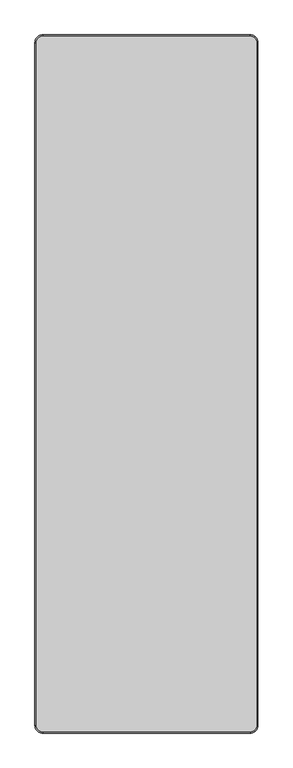
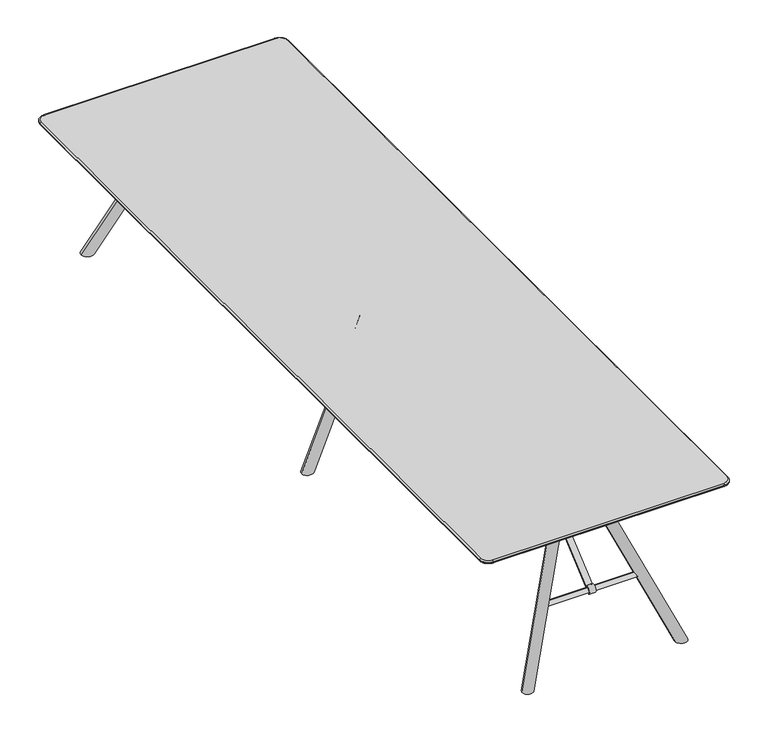
"""IFC4 building model written with IfcOpenShell, lengths in millimetres: furniture geometry."""

from ifc_helpers import new_model, si_unit, point, frame, frame_2d, origin, place, context, project, spatial, polyline, circle_curve, ellipse_curve, trimmed, segment, composite_curve, outline, extrude, source, transform, mapped, element, save
from ifc_brep_helpers import plane_surface, cylinder_surface, revolved_surface, advanced_brep


def furniture_b137825d(model_context):
    return source(origin(), model_context, "Body", "SolidModel", [
        extrude(outline(composite_curve([segment(polyline([(452.1615594, 696.9999876), (516.4936641, 696.9999876), (516.4936641, 693.9557965), (453.2570262, 693.9557965), (12.5923474, 318.9245802)]), True, "CONTINUOUS"), segment(trimmed(circle_curve(frame_2d((0.698271, 308.2132689)), 16.0062876), [point((12.5923474, 318.9245802))], [point((-11.9273491, 298.374826))], True, "CARTESIAN"), True, "CONTINUOUS"), segment(polyline([(-11.9273491, 298.374826), (-14.0616587, 296.2405164)]), True, "CONTINUOUS"), segment(trimmed(circle_curve(frame_2d((0.0, 308.9632055)), 18.9630446), [point((-14.0616587, 296.2405164))], [point((12.7510999, 322.9991063))], False, "CARTESIAN"), True, "CONTINUOUS"), segment(polyline([(12.7510999, 322.9991063), (452.1615594, 696.9999876)]), True, "CONTINUOUS")], self_intersect=False)), frame((-30.0854304, 0.0, 0.0), z_axis=(1.0, 0.0, 0.0), x_axis=(0.0, 1.0, 0.0)), (0.0, 0.0, 1.0), 30.0854304),
        advanced_brep(
        [(-234.1299418, 0.4604158, 296.9759032), (-234.1299418, 0.4604158, 320.4264818), (-234.1299418, 0.4604158, 308.7011925), (225.8700582, 0.4604158, 308.7011925), (225.8700582, 0.4604158, 320.4264818), (225.8700582, 0.4604158, 296.9759032)],
        [
            (0, 1, circle_curve(frame((-234.1299418, 0.4604158, 308.7011925), z_axis=(-1.0, 0.0, 0.0), x_axis=(0.0, 0.0, 1.0)), 11.7252893)),
            (1, 2),
            (2, 0),
            (1, 0, circle_curve(frame((-234.1299418, 0.4604158, 308.7011925), z_axis=(-1.0, 0.0, 0.0), x_axis=(0.0, 0.0, 1.0)), 11.7252893)),
            (3, 4),
            (4, 5, circle_curve(frame((225.8700582, 0.4604158, 308.7011925), z_axis=(1.0, 0.0, 0.0), x_axis=(0.0, 0.0, 1.0)), 11.7252893)),
            (5, 3),
            (5, 4, circle_curve(frame((225.8700582, 0.4604158, 308.7011925), z_axis=(1.0, 0.0, 0.0), x_axis=(0.0, 0.0, 1.0)), 11.7252893)),
            (4, 1, circle_curve(frame((-4.1299418, 0.4604158, -4735.1313064), z_axis=(0.0, -1.0, 0.0), x_axis=(0.0, 0.0, -1.0)), 5060.7869497)),
            (0, 5, circle_curve(frame((-4.1299418, 0.4604158, 5352.5336915), z_axis=(0.0, -1.0, 0.0), x_axis=(0.0, 0.0, 1.0)), 5060.7869497)),
        ],
        [
            plane_surface(frame((-234.1299418, 0.4604158, 308.7011925), z_axis=(-1.0, 0.0, 0.0), x_axis=(0.0, 0.0, 1.0))),
            plane_surface(frame((225.8700582, 0.4604158, 308.7011925), z_axis=(1.0, 0.0, 0.0), x_axis=(0.0, 0.0, 1.0))),
            revolved_surface(trimmed(ellipse_curve(frame((-4.1299418, 0.4604158, -4735.1313064), z_axis=(0.0, 1.0, 0.0), x_axis=(0.0, 0.0, -1.0)), 5060.7869497, 5060.7869497), [point((-234.1299418, 0.4604158, 320.4264818))], [point((225.8700582, 0.4604158, 320.4264818))], True, "CARTESIAN"), (225.8700582, 0.4604158, 308.7011925), (1.0, 0.0, 0.0)),
        ],
        [
            (0, [[1, 2, 3]]),
            (0, [[4, -3, -2]]),
            (1, [[5, 6, 7]]),
            (1, [[-7, 8, -5]]),
            (2, [[-6, 9, -1, 10]]),
            (2, [[-8, -10, -4, -9]]),
        ],
    ),
        extrude(outline(composite_curve([segment(polyline([(-452.1615594, 696.9999876), (-12.7510999, 322.9991063)]), True, "CONTINUOUS"), segment(trimmed(circle_curve(frame_2d((0.0, 308.9632055)), 18.9630446), [point((-12.7510999, 322.9991063))], [point((14.0616587, 296.2405164))], False, "CARTESIAN"), True, "CONTINUOUS"), segment(polyline([(14.0616587, 296.2405164), (11.9273491, 298.374826)]), True, "CONTINUOUS"), segment(trimmed(circle_curve(frame_2d((-0.698271, 308.2132689)), 16.0062876), [point((11.9273491, 298.374826))], [point((-12.5923474, 318.9245802))], True, "CARTESIAN"), True, "CONTINUOUS"), segment(polyline([(-12.5923474, 318.9245802), (-453.2570262, 693.9557965), (-516.4936641, 693.9557965), (-516.4936641, 696.9999876), (-452.1615594, 696.9999876)]), True, "CONTINUOUS")], self_intersect=False)), frame((0.0, 0.0, 0.0), z_axis=(1.0, 0.0, 0.0), x_axis=(0.0, 1.0, 0.0)), (0.0, 0.0, 1.0), 30.0854304),
        advanced_brep(
        [(-234.1299418, -0.4604158, 308.7011925), (-234.1299418, -0.4604158, 320.4264818), (-234.1299418, -0.4604158, 296.9759032), (225.8700582, -0.4604158, 296.9759032), (225.8700582, -0.4604158, 320.4264818), (225.8700582, -0.4604158, 308.7011925)],
        [
            (0, 1),
            (1, 2, circle_curve(frame((-234.1299418, -0.4604158, 308.7011925), z_axis=(-1.0, 0.0, 0.0), x_axis=(0.0, 0.0, 1.0)), 11.7252893)),
            (2, 0),
            (2, 1, circle_curve(frame((-234.1299418, -0.4604158, 308.7011925), z_axis=(-1.0, 0.0, 0.0), x_axis=(0.0, 0.0, 1.0)), 11.7252893)),
            (3, 4, circle_curve(frame((225.8700582, -0.4604158, 308.7011925), z_axis=(1.0, 0.0, 0.0), x_axis=(0.0, 0.0, 1.0)), 11.7252893)),
            (4, 5),
            (5, 3),
            (4, 3, circle_curve(frame((225.8700582, -0.4604158, 308.7011925), z_axis=(1.0, 0.0, 0.0), x_axis=(0.0, 0.0, 1.0)), 11.7252893)),
            (1, 4, circle_curve(frame((-4.1299418, -0.4604158, -4735.1313064), z_axis=(0.0, 1.0, 0.0), x_axis=(0.0, 0.0, -1.0)), 5060.7869497)),
            (3, 2, circle_curve(frame((-4.1299418, -0.4604158, 5352.5336915), z_axis=(0.0, 1.0, 0.0), x_axis=(0.0, 0.0, 1.0)), 5060.7869497)),
        ],
        [
            plane_surface(frame((-234.1299418, -0.4604158, 308.7011925), z_axis=(-1.0, 0.0, 0.0), x_axis=(0.0, 0.0, 1.0))),
            plane_surface(frame((225.8700582, -0.4604158, 308.7011925), z_axis=(1.0, 0.0, 0.0), x_axis=(0.0, 0.0, 1.0))),
            revolved_surface(trimmed(ellipse_curve(frame((-4.1299418, -0.4604158, -4735.1313064), z_axis=(0.0, -1.0, 0.0), x_axis=(0.0, 0.0, -1.0)), 5060.7869497, 5060.7869497), [point((225.8700582, -0.4604158, 320.4264818))], [point((-234.1299418, -0.4604158, 320.4264818))], True, "CARTESIAN"), (225.8700582, -0.4604158, 308.7011925), (-1.0, 0.0, 0.0)),
        ],
        [
            (0, [[1, 2, 3]]),
            (0, [[-3, 4, -1]]),
            (1, [[5, 6, 7]]),
            (1, [[8, -7, -6]]),
            (2, [[-2, 9, -5, 10]]),
            (2, [[-4, -10, -8, -9]]),
        ],
    ),
        advanced_brep(
        [(380.955562, 0.0, 0.0), (327.0019251, 0.0, 0.0), (109.0551994, 0.0, 670.5969178), (62.7191201, 0.0, 651.8094817)],
        [
            (0, 1, ellipse_curve(frame((353.9787435, 0.0, 0.0), z_axis=(0.0, 0.0, -1.0), x_axis=(-1.0, 0.0, 0.0)), 26.9768185, 25.0)),
            (1, 0, ellipse_curve(frame((353.9787435, 0.0, 0.0), z_axis=(0.0, 0.0, -1.0), x_axis=(-1.0, 0.0, 0.0)), 26.9768185, 25.0)),
            (2, 3, circle_curve(frame((85.8871597, 0.0, 661.2031998), z_axis=(-0.3757487225690418, 0.0, 0.9267215857460823), x_axis=(-0.9267215857460823, 0.0, -0.3757487225690418)), 25.0)),
            (3, 2, circle_curve(frame((85.8871597, 0.0, 661.2031998), z_axis=(-0.3757487225690418, 0.0, 0.9267215857460823), x_axis=(-0.9267215857460823, 0.0, -0.3757487225690418)), 25.0)),
            (3, 1),
            (0, 2),
        ],
        [
            plane_surface(frame((414.9551578, 76.4936641, 0.0), z_axis=(0.0, 0.0, -1.0), x_axis=(-1.0, 0.0, 0.0))),
            plane_surface(frame((62.7191201, 0.0, 651.8094817), z_axis=(-0.3757487225690418, 0.0, 0.9267215857460823), x_axis=(0.0, -1.0, 0.0))),
            cylinder_surface(frame((358.9985719, 0.0, -12.3805698), z_axis=(-0.3757487225690418, 0.0, 0.9267215857460823), x_axis=(-0.9267215857460823, 0.0, -0.3757487225690418)), 25.0),
        ],
        [
            (0, [[1, 2]]),
            (1, [[3, 4]]),
            (2, [[-4, 5, -1, 6]]),
            (2, [[-3, -6, -2, -5]]),
        ],
    ),
        advanced_brep(
        [(-327.0019251, 0.0, 0.0), (-380.955562, 0.0, 0.0), (-109.0551994, 0.0, 670.5969178), (-62.7191201, 0.0, 651.8094817)],
        [
            (0, 1, ellipse_curve(frame((-353.9787435, 0.0, 0.0), z_axis=(0.0, 0.0, -1.0), x_axis=(1.0, 0.0, 0.0)), 26.9768185, 25.0)),
            (1, 0, ellipse_curve(frame((-353.9787435, 0.0, 0.0), z_axis=(0.0, 0.0, -1.0), x_axis=(1.0, 0.0, 0.0)), 26.9768185, 25.0)),
            (2, 3, circle_curve(frame((-85.8871597, 0.0, 661.2031998), z_axis=(0.3757487225690418, 0.0, 0.9267215857460823), x_axis=(0.9267215857460823, 0.0, -0.3757487225690418)), 25.0)),
            (3, 2, circle_curve(frame((-85.8871597, 0.0, 661.2031998), z_axis=(0.3757487225690418, 0.0, 0.9267215857460823), x_axis=(0.9267215857460823, 0.0, -0.3757487225690418)), 25.0)),
            (2, 1),
            (0, 3),
        ],
        [
            plane_surface(frame((414.9551578, 76.4936641, 0.0), z_axis=(0.0, 0.0, -1.0), x_axis=(-1.0, 0.0, 0.0))),
            plane_surface(frame((-62.7191201, 0.0, 651.8094817), z_axis=(0.3757487225690418, 0.0, 0.9267215857460823), x_axis=(0.0, 1.0, 0.0))),
            cylinder_surface(frame((-358.9985719, 0.0, -12.3805698), z_axis=(0.3757487225690418, 0.0, 0.9267215857460823), x_axis=(0.9267215857460823, 0.0, -0.3757487225690418)), 25.0),
        ],
        [
            (0, [[1, 2]]),
            (1, [[3, 4]]),
            (2, [[-3, 5, -1, 6]]),
            (2, [[-4, -6, -2, -5]]),
        ],
    ),
        extrude(outline(polyline([(705.4756617, -300.8039954), (687.6294954, -300.8039954), (642.3006437, -190.0), (642.3006437, 190.0), (687.6294954, 300.8039954), (705.4756617, 300.8039954), (705.4756617, -300.8039954)])), frame((0.0, -50.000027, 0.0), z_axis=(0.0, 1.0, 0.0), x_axis=(0.0, 0.0, 1.0)), (0.0, 0.0, 1.0), 100.000054),
        advanced_brep(
        [(380.6471861, 1763.9639551, 0.0), (327.1101507, 1764.2748861, 0.0), (109.9688176, 1543.3483753, 667.7772071), (63.3065195, 1549.2625399, 650.8168831)],
        [
            (0, 1, ellipse_curve(frame((353.8786684, 1764.1194206, 0.0), z_axis=(0.0, 0.0, -1.0), x_axis=(-0.7751468611530293, -0.6317810883879053, 0.0)), 28.2117965, 25.0)),
            (1, 0, ellipse_curve(frame((353.8786684, 1764.1194206, 0.0), z_axis=(0.0, 0.0, -1.0), x_axis=(-0.7751468611530293, -0.6317810883879053, 0.0)), 28.2117965, 25.0)),
            (2, 3, circle_curve(frame((86.6376685, 1546.3054576, 659.2970451), z_axis=(-0.3591957786469682, -0.29276142541603045, 0.8861541290264195), x_axis=(-0.9332459618296186, 0.11828329378096142, -0.339206481572857)), 25.0)),
            (3, 2, circle_curve(frame((86.6376685, 1546.3054576, 659.2970451), z_axis=(-0.3591957786469682, -0.29276142541603045, 0.8861541290264195), x_axis=(-0.9332459618296186, 0.11828329378096142, -0.339206481572857)), 25.0)),
            (3, 1),
            (0, 2),
        ],
        [
            plane_surface(frame((414.9551578, 1865.7915929, 0.0), z_axis=(0.0, 0.0, -1.0), x_axis=(-1.0, 0.0, 0.0))),
            plane_surface(frame((63.3065195, 1549.2625399, 650.8168831), z_axis=(-0.35919577864696833, -0.29276142541603045, 0.8861541290264197), x_axis=(-0.005510656123217819, -0.9488412987432098, -0.315705277859574))),
            cylinder_surface(frame((359.1565975, 1768.4211807, -13.0209177), z_axis=(-0.3591957786469683, -0.2927614254160305, 0.8861541290264198), x_axis=(-0.9332459618296186, 0.11828329378096142, -0.339206481572857)), 25.0),
        ],
        [
            (0, [[1, 2]]),
            (1, [[3, 4]]),
            (2, [[-4, 5, -1, 6]]),
            (2, [[-3, -6, -2, -5]]),
        ],
    ),
        advanced_brep(
        [(-109.9688176, 1543.3483753, 667.7772071), (-63.3065195, 1549.2625399, 650.8168831), (-380.6471861, 1763.9639551, 0.0), (-327.1101507, 1764.2748861, 0.0)],
        [
            (0, 1, circle_curve(frame((-86.6376685, 1546.3054576, 659.2970451), z_axis=(0.3591957786469683, -0.29276142541603045, 0.8861541290264195), x_axis=(0.9332459618296185, 0.11828329378096139, -0.339206481572857)), 25.0)),
            (1, 0, circle_curve(frame((-86.6376685, 1546.3054576, 659.2970451), z_axis=(0.3591957786469683, -0.29276142541603045, 0.8861541290264195), x_axis=(0.9332459618296185, 0.11828329378096139, -0.339206481572857)), 25.0)),
            (0, 2),
            (2, 3, ellipse_curve(frame((-353.8786684, 1764.1194206, 0.0), z_axis=(0.0, 0.0, 1.0), x_axis=(0.7751468611530294, -0.6317810883879053, 0.0)), 28.2117965, 25.0)),
            (3, 1),
            (3, 2, ellipse_curve(frame((-353.8786684, 1764.1194206, 0.0), z_axis=(0.0, 0.0, 1.0), x_axis=(0.7751468611530294, -0.6317810883879053, 0.0)), 28.2117965, 25.0)),
        ],
        [
            plane_surface(frame((-63.3065195, 1549.2625399, 650.8168831), z_axis=(0.3591957786469684, -0.29276142541603045, 0.8861541290264195), x_axis=(-0.005510656123217823, 0.9488412987432097, 0.315705277859574))),
            cylinder_surface(frame((-359.1565975, 1768.4211807, -13.0209177), z_axis=(0.3591957786469683, -0.29276142541603045, 0.8861541290264195), x_axis=(0.9332459618296185, 0.11828329378096139, -0.339206481572857)), 25.0),
            plane_surface(frame((414.9551578, 1865.7915929, 0.0), z_axis=(0.0, 0.0, -1.0), x_axis=(-1.0, 0.0, 0.0))),
        ],
        [
            (0, [[1, 2]]),
            (1, [[-1, 3, 4, 5]]),
            (1, [[-2, -5, 6, -3]]),
            (2, [[-4, -6]]),
        ],
    ),
        extrude(outline(composite_curve([segment(polyline([(1207.3939355, 696.9999876), (1646.804395, 322.9991063)]), True, "CONTINUOUS"), segment(trimmed(circle_curve(frame_2d((1659.555495, 308.9632055)), 18.9630446), [point((1646.804395, 322.9991063))], [point((1673.6171536, 296.2405164))], False, "CARTESIAN"), True, "CONTINUOUS"), segment(polyline([(1673.6171536, 296.2405164), (1671.4828441, 298.374826)]), True, "CONTINUOUS"), segment(trimmed(circle_curve(frame_2d((1658.8572239, 308.2132689)), 16.0062876), [point((1671.4828441, 298.374826))], [point((1646.9631475, 318.9245802))], True, "CARTESIAN"), True, "CONTINUOUS"), segment(polyline([(1646.9631475, 318.9245802), (1206.2984688, 693.9557965), (1143.0618308, 693.9557965), (1143.0618308, 696.9999876), (1207.3939355, 696.9999876)]), True, "CONTINUOUS")], self_intersect=False)), frame((-18.7488756, 0.0, 0.0), z_axis=(1.0, 0.0, 0.0), x_axis=(0.0, 1.0, 0.0)), (0.0, 0.0, 1.0), 30.0854304),
        advanced_brep(
        [(-234.1299418, 1659.0950792, 308.7011925), (-234.1299418, 1659.0950792, 320.4264818), (-234.1299418, 1659.0950792, 296.9759032), (225.8700582, 1659.0950792, 296.9759032), (225.8700582, 1659.0950792, 320.4264818), (225.8700582, 1659.0950792, 308.7011925)],
        [
            (0, 1),
            (1, 2, circle_curve(frame((-234.1299418, 1659.0950792, 308.7011925), z_axis=(-1.0, 0.0, 0.0), x_axis=(0.0, 0.0, 1.0)), 11.7252893)),
            (2, 0),
            (2, 1, circle_curve(frame((-234.1299418, 1659.0950792, 308.7011925), z_axis=(-1.0, 0.0, 0.0), x_axis=(0.0, 0.0, 1.0)), 11.7252893)),
            (3, 4, circle_curve(frame((225.8700582, 1659.0950792, 308.7011925), z_axis=(1.0, 0.0, 0.0), x_axis=(0.0, 0.0, 1.0)), 11.7252893)),
            (4, 5),
            (5, 3),
            (4, 3, circle_curve(frame((225.8700582, 1659.0950792, 308.7011925), z_axis=(1.0, 0.0, 0.0), x_axis=(0.0, 0.0, 1.0)), 11.7252893)),
            (1, 4, circle_curve(frame((-4.1299418, 1659.0950792, -4735.1313064), z_axis=(0.0, 1.0, 0.0), x_axis=(0.0, 0.0, -1.0)), 5060.7869497)),
            (3, 2, circle_curve(frame((-4.1299418, 1659.0950792, 5352.5336915), z_axis=(0.0, 1.0, 0.0), x_axis=(0.0, 0.0, 1.0)), 5060.7869497)),
        ],
        [
            plane_surface(frame((-234.1299418, 1659.0950792, 308.7011925), z_axis=(-1.0, 0.0, 0.0), x_axis=(0.0, 0.0, 1.0))),
            plane_surface(frame((225.8700582, 1659.0950792, 308.7011925), z_axis=(1.0, 0.0, 0.0), x_axis=(0.0, 0.0, 1.0))),
            revolved_surface(trimmed(ellipse_curve(frame((-4.1299418, 1659.0950792, -4735.1313064), z_axis=(0.0, -1.0, 0.0), x_axis=(0.0, 0.0, -1.0)), 5060.7869497, 5060.7869497), [point((225.8700582, 1659.0950792, 320.4264818))], [point((-234.1299418, 1659.0950792, 320.4264818))], True, "CARTESIAN"), (225.8700582, 1659.0950792, 308.7011925), (-1.0, 0.0, 0.0)),
        ],
        [
            (0, [[1, 2, 3]]),
            (0, [[-3, 4, -1]]),
            (1, [[5, 6, 7]]),
            (1, [[8, -7, -6]]),
            (2, [[-2, 9, -5, 10]]),
            (2, [[-4, -10, -8, -9]]),
        ],
    ),
        extrude(outline(polyline([(705.4756617, -300.8039954), (687.6294954, -300.8039954), (642.3006437, -190.0), (642.3006437, 190.0), (687.6294954, 300.8039954), (705.4756617, 300.8039954), (705.4756617, -300.8039954)])), frame((0.0, 1500.0, 0.0), z_axis=(0.0, 1.0, 0.0), x_axis=(0.0, 0.0, 1.0)), (0.0, 0.0, 1.0), 100.000054),
        advanced_brep(
        [(327.1101507, -1764.2748861, 0.0), (380.6471861, -1763.9639551, 0.0), (109.9688176, -1543.3483753, 667.7772071), (63.3065195, -1549.2625399, 650.8168831)],
        [
            (0, 1, ellipse_curve(frame((353.8786684, -1764.1194206, 0.0), z_axis=(0.0, 0.0, -1.0), x_axis=(-0.7751468611530294, 0.6317810883879054, 0.0)), 28.2117965, 25.0)),
            (1, 0, ellipse_curve(frame((353.8786684, -1764.1194206, 0.0), z_axis=(0.0, 0.0, -1.0), x_axis=(-0.7751468611530294, 0.6317810883879054, 0.0)), 28.2117965, 25.0)),
            (2, 3, circle_curve(frame((86.6376685, -1546.3054576, 659.2970451), z_axis=(-0.3591957786469682, 0.2927614254160304, 0.8861541290264195), x_axis=(-0.9332459618296186, -0.11828329378096142, -0.339206481572857)), 25.0)),
            (3, 2, circle_curve(frame((86.6376685, -1546.3054576, 659.2970451), z_axis=(-0.3591957786469682, 0.2927614254160304, 0.8861541290264195), x_axis=(-0.9332459618296186, -0.11828329378096142, -0.339206481572857)), 25.0)),
            (2, 1),
            (0, 3),
        ],
        [
            plane_surface(frame((414.9551578, -1719.2242518, 0.0), z_axis=(0.0, 0.0, -1.0), x_axis=(-1.0, 0.0, 0.0))),
            plane_surface(frame((63.3065195, -1549.2625399, 650.8168831), z_axis=(-0.3591957786469684, 0.29276142541603045, 0.8861541290264195), x_axis=(0.005510656123217793, -0.9488412987432097, 0.315705277859574))),
            cylinder_surface(frame((359.1565975, -1768.4211807, -13.0209177), z_axis=(-0.3591957786469683, 0.29276142541603045, 0.8861541290264198), x_axis=(-0.9332459618296186, -0.11828329378096142, -0.339206481572857)), 25.0),
        ],
        [
            (0, [[1, 2]]),
            (1, [[3, 4]]),
            (2, [[-3, 5, -1, 6]]),
            (2, [[-4, -6, -2, -5]]),
        ],
    ),
        advanced_brep(
        [(-109.9688176, -1543.3483753, 667.7772071), (-63.3065195, -1549.2625399, 650.8168831), (-327.1101507, -1764.2748861, 0.0), (-380.6471861, -1763.9639551, 0.0)],
        [
            (0, 1, circle_curve(frame((-86.6376685, -1546.3054576, 659.2970451), z_axis=(0.3591957786469683, 0.2927614254160305, 0.8861541290264195), x_axis=(0.9332459618296185, -0.11828329378096139, -0.339206481572857)), 25.0)),
            (1, 0, circle_curve(frame((-86.6376685, -1546.3054576, 659.2970451), z_axis=(0.3591957786469683, 0.2927614254160305, 0.8861541290264195), x_axis=(0.9332459618296185, -0.11828329378096139, -0.339206481572857)), 25.0)),
            (1, 2),
            (2, 3, ellipse_curve(frame((-353.8786684, -1764.1194206, 0.0), z_axis=(0.0, 0.0, 1.0), x_axis=(0.7751468611530292, 0.6317810883879053, 0.0)), 28.2117965, 25.0)),
            (3, 0),
            (3, 2, ellipse_curve(frame((-353.8786684, -1764.1194206, 0.0), z_axis=(0.0, 0.0, 1.0), x_axis=(0.7751468611530292, 0.6317810883879053, 0.0)), 28.2117965, 25.0)),
        ],
        [
            plane_surface(frame((-63.3065195, -1549.2625399, 650.8168831), z_axis=(0.35919577864696833, 0.2927614254160305, 0.8861541290264195), x_axis=(0.005510656123217818, 0.9488412987432097, -0.31570527785957403))),
            cylinder_surface(frame((-359.1565975, -1768.4211807, -13.0209177), z_axis=(0.3591957786469683, 0.2927614254160305, 0.8861541290264195), x_axis=(0.9332459618296185, -0.11828329378096139, -0.339206481572857)), 25.0),
            plane_surface(frame((414.9551578, -1719.2242518, 0.0), z_axis=(0.0, 0.0, -1.0), x_axis=(-1.0, 0.0, 0.0))),
        ],
        [
            (0, [[1, 2]]),
            (1, [[-2, 3, 4, 5]]),
            (1, [[-1, -5, 6, -3]]),
            (2, [[-4, -6]]),
        ],
    ),
        extrude(outline(composite_curve([segment(polyline([(-1207.3939355, 696.9999876), (-1143.0618308, 696.9999876), (-1143.0618308, 693.9557965), (-1206.2984688, 693.9557965), (-1646.9631475, 318.9245802)]), True, "CONTINUOUS"), segment(trimmed(circle_curve(frame_2d((-1658.8572239, 308.2132689)), 16.0062876), [point((-1646.9631475, 318.9245802))], [point((-1671.4828441, 298.374826))], True, "CARTESIAN"), True, "CONTINUOUS"), segment(polyline([(-1671.4828441, 298.374826), (-1673.6171536, 296.2405164)]), True, "CONTINUOUS"), segment(trimmed(circle_curve(frame_2d((-1659.555495, 308.9632055)), 18.9630446), [point((-1673.6171536, 296.2405164))], [point((-1646.804395, 322.9991063))], False, "CARTESIAN"), True, "CONTINUOUS"), segment(polyline([(-1646.804395, 322.9991063), (-1207.3939355, 696.9999876)]), True, "CONTINUOUS")], self_intersect=False)), frame((-18.7488756, 0.0, 0.0), z_axis=(1.0, 0.0, 0.0), x_axis=(0.0, 1.0, 0.0)), (0.0, 0.0, 1.0), 30.0854304),
        advanced_brep(
        [(-234.1299418, -1659.0950792, 296.9759032), (-234.1299418, -1659.0950792, 320.4264818), (-234.1299418, -1659.0950792, 308.7011925), (225.8700582, -1659.0950792, 308.7011925), (225.8700582, -1659.0950792, 320.4264818), (225.8700582, -1659.0950792, 296.9759032)],
        [
            (0, 1, circle_curve(frame((-234.1299418, -1659.0950792, 308.7011925), z_axis=(-1.0, 0.0, 0.0), x_axis=(0.0, 0.0, 1.0)), 11.7252893)),
            (1, 2),
            (2, 0),
            (1, 0, circle_curve(frame((-234.1299418, -1659.0950792, 308.7011925), z_axis=(-1.0, 0.0, 0.0), x_axis=(0.0, 0.0, 1.0)), 11.7252893)),
            (3, 4),
            (4, 5, circle_curve(frame((225.8700582, -1659.0950792, 308.7011925), z_axis=(1.0, 0.0, 0.0), x_axis=(0.0, 0.0, 1.0)), 11.7252893)),
            (5, 3),
            (5, 4, circle_curve(frame((225.8700582, -1659.0950792, 308.7011925), z_axis=(1.0, 0.0, 0.0), x_axis=(0.0, 0.0, 1.0)), 11.7252893)),
            (4, 1, circle_curve(frame((-4.1299418, -1659.0950792, -4735.1313064), z_axis=(0.0, -1.0, 0.0), x_axis=(0.0, 0.0, -1.0)), 5060.7869497)),
            (0, 5, circle_curve(frame((-4.1299418, -1659.0950792, 5352.5336915), z_axis=(0.0, -1.0, 0.0), x_axis=(0.0, 0.0, 1.0)), 5060.7869497)),
        ],
        [
            plane_surface(frame((-234.1299418, -1659.0950792, 308.7011925), z_axis=(-1.0, 0.0, 0.0), x_axis=(0.0, 0.0, 1.0))),
            plane_surface(frame((225.8700582, -1659.0950792, 308.7011925), z_axis=(1.0, 0.0, 0.0), x_axis=(0.0, 0.0, 1.0))),
            revolved_surface(trimmed(ellipse_curve(frame((-4.1299418, -1659.0950792, -4735.1313064), z_axis=(0.0, 1.0, 0.0), x_axis=(0.0, 0.0, -1.0)), 5060.7869497, 5060.7869497), [point((-234.1299418, -1659.0950792, 320.4264818))], [point((225.8700582, -1659.0950792, 320.4264818))], True, "CARTESIAN"), (225.8700582, -1659.0950792, 308.7011925), (1.0, 0.0, 0.0)),
        ],
        [
            (0, [[1, 2, 3]]),
            (0, [[4, -3, -2]]),
            (1, [[5, 6, 7]]),
            (1, [[-7, 8, -5]]),
            (2, [[-6, 9, -1, 10]]),
            (2, [[-8, -10, -4, -9]]),
        ],
    ),
        extrude(outline(polyline([(705.4756617, -300.8039954), (687.6294954, -300.8039954), (642.3006437, -190.0), (642.3006437, 190.0), (687.6294954, 300.8039954), (705.4756617, 300.8039954), (705.4756617, -300.8039954)])), frame((0.0, -1600.000054, 0.0), z_axis=(0.0, 1.0, 0.0), x_axis=(0.0, 0.0, 1.0)), (0.0, 0.0, 1.0), 100.000054),
        advanced_brep(
        [(-535.0, 1793.3875297, 720.0), (-568.3875297, 1760.0, 720.0), (-568.3875297, -1760.0, 720.0), (-535.0, -1793.3875297, 720.0), (535.0, -1793.3875297, 720.0), (568.3875297, -1760.0, 720.0), (568.3875297, 1760.0, 720.0), (535.0, 1793.3875297, 720.0), (-540.0005076, 1760.0, 696.9999876), (-535.0, 1765.0005076, 696.9999876), (535.0, 1765.0005076, 696.9999876), (540.0005076, 1760.0, 696.9999876), (540.0005076, -1760.0, 696.9999876), (535.0, -1765.0005076, 696.9999876), (-535.0, -1765.0005076, 696.9999876), (-540.0005076, -1760.0, 696.9999876), (535.0, 1800.0, 713.3875351), (535.0, 1800.0, 711.9936098), (-535.0, 1800.0, 711.9936098), (-535.0, 1800.0, 713.3875309), (-575.0, 1760.0, 711.9936098), (-575.0, 1760.0, 713.3875312), (-575.0, -1760.0, 711.9936098), (-575.0, -1760.0, 713.3875297), (-535.0, -1800.0, 711.9936098), (-535.0, -1800.0, 713.3875304), (535.0, -1800.0, 711.9936098), (535.0, -1800.0, 713.3875297), (575.0, -1760.0, 711.9936098), (575.0, -1760.0, 713.3875299), (575.0, 1760.0, 711.9936098), (575.0, 1760.0, 713.3875297), (-571.0321209, 1760.0, 706.6108805), (-535.0, 1796.0321209, 706.6108805), (-571.0321209, -1760.0, 706.6108805), (-535.0, -1796.0321209, 706.6108805), (535.0, -1796.0321209, 706.6108805), (571.0321209, -1760.0, 706.6108805), (571.0321209, 1760.0, 706.6108805), (535.0, 1796.0321209, 706.6108805)],
        [
            (0, 1, circle_curve(frame((-535.0, 1760.0, 720.0), z_axis=(0.0, 0.0, 1.0), x_axis=(0.0, 1.0, 0.0)), 33.3875297)),
            (1, 2),
            (2, 3, circle_curve(frame((-535.0, -1760.0, 720.0), z_axis=(0.0, 0.0, 1.0), x_axis=(-1.0, 0.0, 0.0)), 33.3875297)),
            (3, 4),
            (4, 5, circle_curve(frame((535.0, -1760.0, 720.0), z_axis=(0.0, 0.0, 1.0), x_axis=(0.0, -1.0, 0.0)), 33.3875297)),
            (5, 6),
            (6, 7, circle_curve(frame((535.0, 1760.0, 720.0), z_axis=(0.0, 0.0, 1.0), x_axis=(1.0, 0.0, 0.0)), 33.3875297)),
            (7, 0),
            (8, 9, circle_curve(frame((-535.0, 1760.0, 696.9999876), z_axis=(0.0, 0.0, -1.0), x_axis=(0.0, 1.0, 0.0)), 5.0005076)),
            (9, 10),
            (10, 11, circle_curve(frame((535.0, 1760.0, 696.9999876), z_axis=(0.0, 0.0, -1.0), x_axis=(1.0, 0.0, 0.0)), 5.0005076)),
            (11, 12),
            (12, 13, circle_curve(frame((535.0, -1760.0, 696.9999876), z_axis=(0.0, 0.0, -1.0), x_axis=(0.0, -1.0, 0.0)), 5.0005076)),
            (13, 14),
            (14, 15, circle_curve(frame((-535.0, -1760.0, 696.9999876), z_axis=(0.0, 0.0, -1.0), x_axis=(-1.0, 0.0, 0.0)), 5.0005076)),
            (15, 8),
            (16, 17),
            (17, 18),
            (18, 19),
            (19, 16),
            (18, 20, circle_curve(frame((-535.0, 1760.0, 711.9936098), z_axis=(0.0, 0.0, 1.0), x_axis=(1.0, 0.0, 0.0)), 40.0)),
            (20, 21),
            (21, 19, circle_curve(frame((-535.0, 1760.0, 713.3875297), z_axis=(0.0, 0.0, -1.0), x_axis=(1.0, 0.0, 0.0)), 40.0)),
            (20, 22),
            (22, 23),
            (23, 21),
            (22, 24, circle_curve(frame((-535.0, -1760.0, 711.9936098), z_axis=(0.0, 0.0, 1.0), x_axis=(1.0, 0.0, 0.0)), 40.0)),
            (24, 25),
            (25, 23, circle_curve(frame((-535.0, -1760.0, 713.3875297), z_axis=(0.0, 0.0, -1.0), x_axis=(1.0, 0.0, 0.0)), 40.0)),
            (24, 26),
            (26, 27),
            (27, 25),
            (26, 28, circle_curve(frame((535.0, -1760.0, 711.9936098), z_axis=(0.0, 0.0, 1.0), x_axis=(1.0, 0.0, 0.0)), 40.0)),
            (28, 29),
            (29, 27, circle_curve(frame((535.0, -1760.0, 713.3875297), z_axis=(0.0, 0.0, -1.0), x_axis=(1.0, 0.0, 0.0)), 40.0)),
            (28, 30),
            (30, 31),
            (31, 29),
            (16, 31, circle_curve(frame((535.0, 1760.0, 713.3875297), z_axis=(0.0, 0.0, -1.0), x_axis=(1.0, 0.0, 0.0)), 40.0)),
            (30, 17, circle_curve(frame((535.0, 1760.0, 711.9936098), z_axis=(0.0, 0.0, 1.0), x_axis=(1.0, 0.0, 0.0)), 40.0)),
            (21, 1, circle_curve(frame((-568.3875297, 1760.0, 713.3875297), z_axis=(0.0, 1.0, 0.0), x_axis=(1.0, 0.0, 0.0)), 6.6124703)),
            (0, 19, circle_curve(frame((-535.0, 1793.3875297, 713.3875297), z_axis=(-1.0, 0.0, 0.0), x_axis=(0.0, -1.0, 0.0)), 6.6124703)),
            (32, 20, circle_curve(frame((-569.3650199, 1760.0, 711.9936098), z_axis=(0.0, 1.0, 0.0), x_axis=(1.0, 0.0, 0.0)), 5.6349801)),
            (18, 33, circle_curve(frame((-535.0, 1794.3650199, 711.9936098), z_axis=(-1.0, 0.0, 0.0), x_axis=(0.0, -1.0, 0.0)), 5.6349801)),
            (33, 32, circle_curve(frame((-535.0, 1760.0, 706.6108805), z_axis=(0.0, 0.0, 1.0), x_axis=(0.0, 1.0, 0.0)), 36.0321209)),
            (33, 9),
            (8, 32),
            (23, 2, circle_curve(frame((-568.3875297, -1760.0, 713.3875297), z_axis=(0.0, 1.0, 0.0), x_axis=(1.0, 0.0, 0.0)), 6.6124703)),
            (32, 34),
            (34, 22, circle_curve(frame((-569.3650199, -1760.0, 711.9936098), z_axis=(0.0, 1.0, 0.0), x_axis=(1.0, 0.0, 0.0)), 5.6349801)),
            (15, 34),
            (25, 3, circle_curve(frame((-535.0, -1793.3875297, 713.3875297), z_axis=(-1.0, 0.0, 0.0), x_axis=(0.0, 1.0, 0.0)), 6.6124703)),
            (34, 35, circle_curve(frame((-535.0, -1760.0, 706.6108805), z_axis=(0.0, 0.0, 1.0), x_axis=(-1.0, 0.0, 0.0)), 36.0321209)),
            (35, 24, circle_curve(frame((-535.0, -1794.3650199, 711.9936098), z_axis=(-1.0, 0.0, 0.0), x_axis=(0.0, 1.0, 0.0)), 5.6349801)),
            (14, 35),
            (27, 4, circle_curve(frame((535.0, -1793.3875297, 713.3875297), z_axis=(-1.0, 0.0, 0.0), x_axis=(0.0, 1.0, 0.0)), 6.6124703)),
            (35, 36),
            (36, 26, circle_curve(frame((535.0, -1794.3650199, 711.9936098), z_axis=(-1.0, 0.0, 0.0), x_axis=(0.0, 1.0, 0.0)), 5.6349801)),
            (13, 36),
            (29, 5, circle_curve(frame((568.3875297, -1760.0, 713.3875297), z_axis=(0.0, -1.0, 0.0), x_axis=(-1.0, 0.0, 0.0)), 6.6124703)),
            (36, 37, circle_curve(frame((535.0, -1760.0, 706.6108805), z_axis=(0.0, 0.0, 1.0), x_axis=(0.0, -1.0, 0.0)), 36.0321209)),
            (37, 28, circle_curve(frame((569.3650199, -1760.0, 711.9936098), z_axis=(0.0, -1.0, 0.0), x_axis=(-1.0, 0.0, 0.0)), 5.6349801)),
            (12, 37),
            (31, 6, circle_curve(frame((568.3875297, 1760.0, 713.3875297), z_axis=(0.0, -1.0, 0.0), x_axis=(-1.0, 0.0, 0.0)), 6.6124703)),
            (37, 38),
            (38, 30, circle_curve(frame((569.3650199, 1760.0, 711.9936098), z_axis=(0.0, -1.0, 0.0), x_axis=(-1.0, 0.0, 0.0)), 5.6349801)),
            (11, 38),
            (16, 7, circle_curve(frame((535.0, 1793.3875297, 713.3875297), z_axis=(1.0, 0.0, 0.0), x_axis=(0.0, -1.0, 0.0)), 6.6124703)),
            (38, 39, circle_curve(frame((535.0, 1760.0, 706.6108805), z_axis=(0.0, 0.0, 1.0), x_axis=(1.0, 0.0, 0.0)), 36.0321209)),
            (39, 17, circle_curve(frame((535.0, 1794.3650199, 711.9936098), z_axis=(1.0, 0.0, 0.0), x_axis=(0.0, -1.0, 0.0)), 5.6349801)),
            (10, 39),
            (39, 33),
        ],
        [
            plane_surface(frame((-435.310117, 1800.0, 720.0), z_axis=(0.0, 0.0, 1.0), x_axis=(-1.0, 0.0, 0.0))),
            plane_surface(frame((-435.310117, 1800.0, 696.9999876), z_axis=(0.0, 0.0, -1.0), x_axis=(1.0, 0.0, 0.0))),
            plane_surface(frame((535.0, 1800.0, 720.0), z_axis=(0.0, 1.0, 0.0), x_axis=(0.0, 0.0, -1.0))),
            cylinder_surface(frame((-535.0, 1760.0, 696.9999876), z_axis=(0.0, 0.0, 1.0), x_axis=(1.0, 0.0, 0.0)), 40.0),
            plane_surface(frame((-575.0, 1760.0, 720.0), z_axis=(-1.0, 0.0, 0.0), x_axis=(0.0, 0.0, -1.0))),
            cylinder_surface(frame((-535.0, -1760.0, 696.9999876), z_axis=(0.0, 0.0, 1.0), x_axis=(1.0, 0.0, 0.0)), 40.0),
            plane_surface(frame((-535.0, -1800.0, 720.0), z_axis=(0.0, -1.0, 0.0), x_axis=(0.0, 0.0, -1.0))),
            cylinder_surface(frame((535.0, -1760.0, 696.9999876), z_axis=(0.0, 0.0, 1.0), x_axis=(1.0, 0.0, 0.0)), 40.0),
            plane_surface(frame((575.0, -1760.0, 720.0), z_axis=(1.0, 0.0, 0.0), x_axis=(0.0, 0.0, -1.0))),
            cylinder_surface(frame((535.0, 1760.0, 696.9999876), z_axis=(0.0, 0.0, 1.0), x_axis=(1.0, 0.0, 0.0)), 40.0),
            revolved_surface(trimmed(ellipse_curve(frame((-535.0, 1793.3875297, 713.3875297), z_axis=(1.0, 0.0, 0.0), x_axis=(0.0, -1.0, 0.0)), 6.6124703, 6.6124703), [point((-535.0, 1800.0, 713.3875297))], [point((-535.0, 1793.3875297, 720.0))], True, "CARTESIAN"), (-535.0, 1760.0, -18.7809165), (0.0, 0.0, 1.0)),
            revolved_surface(trimmed(ellipse_curve(frame((-535.0, 1794.3650199, 711.9936098), z_axis=(1.0, 0.0, 0.0), x_axis=(0.0, -1.0, 0.0)), 5.6349801, 5.6349801), [point((-535.0, 1796.0321209, 706.6108805))], [point((-535.0, 1800.0, 711.9936098))], True, "CARTESIAN"), (-535.0, 1760.0, -18.7809165), (0.0, 0.0, 1.0)),
            revolved_surface(polyline([(-535.0, 1765.0005076, 696.9999876), (-535.0, 1796.0321209, 706.6108805)]), (-535.0, 1760.0, -18.7809165), (0.0, 0.0, 1.0)),
            cylinder_surface(frame((-568.3875297, 1760.0, 713.3875297), z_axis=(0.0, -1.0, 0.0), x_axis=(1.0, 0.0, 0.0)), 6.6124703),
            cylinder_surface(frame((-569.3650199, 1760.0, 711.9936098), z_axis=(0.0, -1.0, 0.0), x_axis=(1.0, 0.0, 0.0)), 5.6349801),
            plane_surface(frame((-571.0321209, 1760.0, 706.6108805), z_axis=(-0.295848611790623, 0.0, -0.9552348396606781), x_axis=(0.0, -1.0, 0.0))),
            revolved_surface(trimmed(ellipse_curve(frame((-568.3875297, -1760.0, 713.3875297), z_axis=(0.0, 1.0, 0.0), x_axis=(1.0, 0.0, 0.0)), 6.6124703, 6.6124703), [point((-575.0, -1760.0, 713.3875297))], [point((-568.3875297, -1760.0, 720.0))], True, "CARTESIAN"), (-535.0, -1760.0, -18.7809165), (0.0, 0.0, 1.0)),
            revolved_surface(trimmed(ellipse_curve(frame((-569.3650199, -1760.0, 711.9936098), z_axis=(0.0, 1.0, 0.0), x_axis=(1.0, 0.0, 0.0)), 5.6349801, 5.6349801), [point((-571.0321209, -1760.0, 706.6108805))], [point((-575.0, -1760.0, 711.9936098))], True, "CARTESIAN"), (-535.0, -1760.0, -18.7809165), (0.0, 0.0, 1.0)),
            revolved_surface(polyline([(-540.0005076, -1760.0, 696.9999876), (-571.0321209, -1760.0, 706.6108805)]), (-535.0, -1760.0, -18.7809165), (0.0, 0.0, 1.0)),
            cylinder_surface(frame((-535.0, -1793.3875297, 713.3875297), z_axis=(1.0, 0.0, 0.0), x_axis=(0.0, 1.0, 0.0)), 6.6124703),
            cylinder_surface(frame((-535.0, -1794.3650199, 711.9936098), z_axis=(1.0, 0.0, 0.0), x_axis=(0.0, 1.0, 0.0)), 5.6349801),
            plane_surface(frame((-535.0, -1796.0321209, 706.6108805), z_axis=(0.0, -0.295848611790623, -0.9552348396606781), x_axis=(1.0, 0.0, 0.0))),
            revolved_surface(trimmed(ellipse_curve(frame((535.0, -1793.3875297, 713.3875297), z_axis=(-1.0, 0.0, 0.0), x_axis=(0.0, 1.0, 0.0)), 6.6124703, 6.6124703), [point((535.0, -1800.0, 713.3875297))], [point((535.0, -1793.3875297, 720.0))], True, "CARTESIAN"), (535.0, -1760.0, -18.7809165), (0.0, 0.0, 1.0)),
            revolved_surface(trimmed(ellipse_curve(frame((535.0, -1794.3650199, 711.9936098), z_axis=(-1.0, 0.0, 0.0), x_axis=(0.0, 1.0, 0.0)), 5.6349801, 5.6349801), [point((535.0, -1796.0321209, 706.6108805))], [point((535.0, -1800.0, 711.9936098))], True, "CARTESIAN"), (535.0, -1760.0, -18.7809165), (0.0, 0.0, 1.0)),
            revolved_surface(polyline([(535.0, -1765.0005076, 696.9999876), (535.0, -1796.0321209, 706.6108805)]), (535.0, -1760.0, -18.7809165), (0.0, 0.0, 1.0)),
            cylinder_surface(frame((568.3875297, -1760.0, 713.3875297), z_axis=(0.0, 1.0, 0.0), x_axis=(-1.0, 0.0, 0.0)), 6.6124703),
            cylinder_surface(frame((569.3650199, -1760.0, 711.9936098), z_axis=(0.0, 1.0, 0.0), x_axis=(-1.0, 0.0, 0.0)), 5.6349801),
            plane_surface(frame((571.0321209, -1760.0, 706.6108805), z_axis=(0.295848611790623, 0.0, -0.9552348396606781), x_axis=(0.0, 1.0, 0.0))),
            revolved_surface(trimmed(ellipse_curve(frame((568.3875297, 1760.0, 713.3875297), z_axis=(0.0, -1.0, 0.0), x_axis=(-1.0, 0.0, 0.0)), 6.6124703, 6.6124703), [point((575.0, 1760.0, 713.3875297))], [point((568.3875297, 1760.0, 720.0))], True, "CARTESIAN"), (535.0, 1760.0, -18.7809165), (0.0, 0.0, 1.0)),
            revolved_surface(trimmed(ellipse_curve(frame((569.3650199, 1760.0, 711.9936098), z_axis=(0.0, -1.0, 0.0), x_axis=(-1.0, 0.0, 0.0)), 5.6349801, 5.6349801), [point((571.0321209, 1760.0, 706.6108805))], [point((575.0, 1760.0, 711.9936098))], True, "CARTESIAN"), (535.0, 1760.0, -18.7809165), (0.0, 0.0, 1.0)),
            revolved_surface(polyline([(540.0005076, 1760.0, 696.9999876), (571.0321209, 1760.0, 706.6108805)]), (535.0, 1760.0, -18.7809165), (0.0, 0.0, 1.0)),
            cylinder_surface(frame((535.0, 1793.3875297, 713.3875297), z_axis=(-1.0, 0.0, 0.0), x_axis=(0.0, -1.0, 0.0)), 6.6124703),
            cylinder_surface(frame((535.0, 1794.3650199, 711.9936098), z_axis=(-1.0, 0.0, 0.0), x_axis=(0.0, -1.0, 0.0)), 5.6349801),
            plane_surface(frame((535.0, 1796.0321209, 706.6108805), z_axis=(0.0, 0.295848611790623, -0.9552348396606781), x_axis=(-1.0, 0.0, 0.0))),
        ],
        [
            (0, [[1, 2, 3, 4, 5, 6, 7, 8]]),
            (1, [[9, 10, 11, 12, 13, 14, 15, 16]]),
            (2, [[17, 18, 19, 20]]),
            (3, [[-19, 21, 22, 23]]),
            (4, [[-22, 24, 25, 26]]),
            (5, [[-25, 27, 28, 29]]),
            (6, [[-28, 30, 31, 32]]),
            (7, [[-31, 33, 34, 35]]),
            (8, [[-34, 36, 37, 38]]),
            (9, [[-17, 39, -37, 40]]),
            (10, [[41, -1, 42, -23]]),
            (11, [[43, -21, 44, 45]]),
            (12, [[-45, 46, -9, 47]]),
            (13, [[-41, -26, 48, -2]]),
            (14, [[-43, 49, 50, -24]]),
            (15, [[-47, -16, 51, -49]]),
            (16, [[-48, -29, 52, -3]]),
            (17, [[-50, 53, 54, -27]]),
            (18, [[-51, -15, 55, -53]]),
            (19, [[-52, -32, 56, -4]]),
            (20, [[-54, 57, 58, -30]]),
            (21, [[-55, -14, 59, -57]]),
            (22, [[-56, -35, 60, -5]]),
            (23, [[-58, 61, 62, -33]]),
            (24, [[-59, -13, 63, -61]]),
            (25, [[-60, -38, 64, -6]]),
            (26, [[-62, 65, 66, -36]]),
            (27, [[-63, -12, 67, -65]]),
            (28, [[-64, -39, 68, -7]]),
            (29, [[-66, 69, 70, -40]]),
            (30, [[-67, -11, 71, -69]]),
            (31, [[-42, -8, -68, -20]]),
            (32, [[-44, -18, -70, 72]]),
            (33, [[-46, -72, -71, -10]]),
        ],
    ),
    ])


if __name__ == "__main__":
    model = new_model("IFC4")
    model_context = context("Model", 3, world=origin())
    ifc_project = project(units=[si_unit("LENGTHUNIT", "METRE", prefix="MILLI")], contexts=[model_context])
    site = spatial("IfcSite", under=ifc_project)
    building = spatial("IfcBuilding", under=site)
    placement = place(None, origin())
    furniture_shape = furniture_b137825d(model_context)
    element("IfcFurniture", 1, at=placement, inside=building, context=model_context, shape_type="MappedRepresentation", body=[
        mapped(furniture_shape, transform((0.0, 0.0, 0.0), x_axis=(1.0, 0.0, 0.0), y_axis=(0.0, 1.0, 0.0), z_axis=(0.0, 0.0, 1.0))),
    ])
    save(model, "model.ifc")
